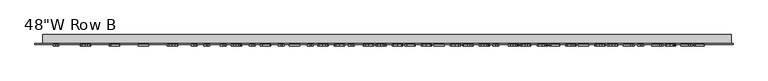
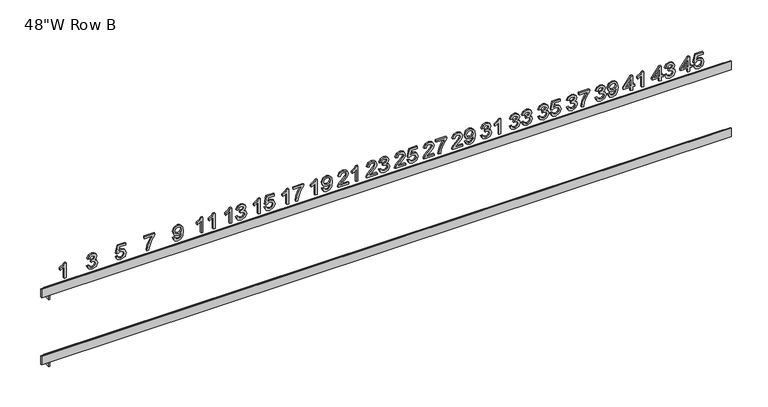
"""IFC4 building model written with IfcOpenShell, lengths in millimetres: furniture geometry."""

from ifc_helpers import new_model, si_unit, frame, origin, place, context, project, spatial, polyline, outline, extrude, faceted_brep, source, transform, mapped, element, save


def furniture_2dfe8abe(model_context):
    return source(origin(), model_context, "Body", "SolidModel", [
        extrude(outline(polyline([(2094.8904, 502.8912606), (2094.8904, 506.0807484), (2100.8706897, 506.0807484), (2100.8706897, 509.2702363), (2104.0601776, 509.2702363), (2104.0601776, 506.0807484), (2120.0076168, 506.0807484), (2120.0076168, 503.6886326), (2104.0601776, 491.3293671), (2100.8706897, 491.3293671), (2100.8706897, 502.8912606), (2094.8904, 502.8912606)]), holes=[polyline([(2104.0601776, 502.8912606), (2104.0601776, 495.2539323), (2113.9151967, 502.8912606), (2104.0601776, 502.8912606)])]), frame((0.0, -18.25625, 0.0), z_axis=(0.0, 1.0, 0.0), x_axis=(0.0, 0.0, 1.0)), (0.0, 0.0, 1.0), 2.38125),
        extrude(outline(polyline([(2101.6680617, 512.0610382), (2096.4571113, 514.5497108), (2094.491714, 520.1780355), (2097.550383, 526.80619), (2103.4683781, 528.8058494), (2109.3489963, 526.5850438), (2111.6352112, 521.1311442), (2109.7912885, 516.4652723), (2116.8181289, 517.8295259), (2116.8181289, 527.6097914), (2120.0076168, 527.6097914), (2120.0076168, 515.250526), (2106.8509794, 512.4597241), (2106.4522934, 515.649212), (2107.8913007, 517.4401842), (2108.4457234, 520.2403302), (2107.0565519, 524.2801405), (2103.2690351, 525.6163615), (2099.2105364, 524.1898132), (2097.6812019, 520.1904945), (2098.780703, 516.8577289), (2102.0667477, 515.250526), (2101.6680617, 512.0610382)])), frame((0.0, -18.25625, 0.0), z_axis=(0.0, 1.0, 0.0), x_axis=(0.0, 0.0, 1.0)), (0.0, 0.0, 1.0), 2.38125),
        extrude(outline(polyline([(2094.8904, 456.8537606), (2094.8904, 460.0432484), (2100.8706897, 460.0432484), (2100.8706897, 463.2327363), (2104.0601776, 463.2327363), (2104.0601776, 460.0432484), (2120.0076168, 460.0432484), (2120.0076168, 457.6511326), (2104.0601776, 445.2918671), (2100.8706897, 445.2918671), (2100.8706897, 456.8537606), (2094.8904, 456.8537606)]), holes=[polyline([(2104.0601776, 456.8537606), (2104.0601776, 449.2164323), (2113.9151967, 456.8537606), (2104.0601776, 456.8537606)])]), frame((0.0, -18.25625, 0.0), z_axis=(0.0, 1.0, 0.0), x_axis=(0.0, 0.0, 1.0)), (0.0, 0.0, 1.0), 2.38125),
        extrude(outline(polyline([(2101.6680617, 466.0235382), (2096.4913734, 468.5589318), (2094.491714, 474.1529945), (2096.8339942, 480.3263977), (2102.5401873, 482.7683494), (2106.6890132, 481.5473735), (2108.8693272, 478.0713301), (2110.981117, 480.6877069), (2113.9214261, 481.5722914), (2117.1389466, 480.6409859), (2119.5310625, 477.9498555), (2120.4063028, 474.1031587), (2118.6309043, 469.0323714), (2113.6286411, 466.4222241), (2113.2299551, 469.611712), (2116.2201, 471.1753086), (2117.2168149, 474.2152892), (2116.2294442, 477.217893), (2113.7345421, 478.3828036), (2110.9188223, 476.7756007), (2110.0404673, 472.6454631), (2106.8509794, 472.2903834), (2107.1998297, 474.5267626), (2105.894756, 478.1523132), (2102.5962525, 479.5788615), (2099.0952912, 478.1398543), (2097.6812019, 474.2651249), (2098.7090642, 470.9728508), (2102.0667477, 469.213026), (2101.6680617, 466.0235382)])), frame((0.0, -18.25625, 0.0), z_axis=(0.0, 1.0, 0.0), x_axis=(0.0, 0.0, 1.0)), (0.0, 0.0, 1.0), 2.38125),
        extrude(outline(polyline([(2094.8904, 410.8162606), (2094.8904, 414.0057484), (2100.8706897, 414.0057484), (2100.8706897, 417.1952363), (2104.0601776, 417.1952363), (2104.0601776, 414.0057484), (2120.0076168, 414.0057484), (2120.0076168, 411.6136326), (2104.0601776, 399.2543671), (2100.8706897, 399.2543671), (2100.8706897, 410.8162606), (2094.8904, 410.8162606)]), holes=[polyline([(2104.0601776, 410.8162606), (2104.0601776, 403.1789323), (2113.9151967, 410.8162606), (2104.0601776, 410.8162606)])]), frame((0.0, -18.25625, 0.0), z_axis=(0.0, 1.0, 0.0), x_axis=(0.0, 0.0, 1.0)), (0.0, 0.0, 1.0), 2.38125),
        extrude(outline(polyline([(2094.8904, 431.9466176), (2120.4063028, 431.9466176), (2120.4063028, 429.890893), (2117.0112425, 427.0533701), (2114.0273271, 422.378154), (2111.0122644, 422.378154), (2112.6225819, 425.7358375), (2114.7748633, 428.7571297), (2094.8904, 428.7571297), (2094.8904, 431.9466176)])), frame((0.0, -18.25625, 0.0), z_axis=(0.0, 1.0, 0.0), x_axis=(0.0, 0.0, 1.0)), (0.0, 0.0, 1.0), 2.38125),
        extrude(outline(polyline([(2101.6680617, 354.4129251), (2096.4913734, 356.9483187), (2094.491714, 362.5423814), (2096.8339942, 368.7157847), (2102.5401873, 371.1577363), (2106.6890132, 369.9367605), (2108.8693272, 366.4607171), (2110.981117, 369.0770938), (2113.9214261, 369.9616783), (2117.1389466, 369.0303728), (2119.5310625, 366.3392424), (2120.4063028, 362.4925457), (2118.6309043, 357.4217584), (2113.6286411, 354.8116111), (2113.2299551, 358.0010989), (2116.2201, 359.5646955), (2117.2168149, 362.6046761), (2116.2294442, 365.6072799), (2113.7345421, 366.7721905), (2110.9188223, 365.1649876), (2110.0404673, 361.0348501), (2106.8509794, 360.6797704), (2107.1998297, 362.9161495), (2105.894756, 366.5417002), (2102.5962525, 367.9682484), (2099.0952912, 366.5292412), (2097.6812019, 362.6545119), (2098.7090642, 359.3622378), (2102.0667477, 357.6024129), (2101.6680617, 354.4129251)])), frame((0.0, -18.25625, 0.0), z_axis=(0.0, 1.0, 0.0), x_axis=(0.0, 0.0, 1.0)), (0.0, 0.0, 1.0), 2.38125),
        extrude(outline(polyline([(2101.2693757, 374.3472241), (2096.2702273, 376.6334391), (2094.491714, 381.5360307), (2095.9992454, 386.4604255), (2100.3879059, 389.6281102), (2108.1342499, 390.6933494), (2115.2732208, 389.6249955), (2119.0731965, 386.4978023), (2120.4063028, 381.9534051), (2118.0702521, 376.2316383), (2111.9030783, 373.9485382), (2105.9290181, 376.1257374), (2103.6614916, 381.4550476), (2104.5896824, 384.9528942), (2106.3837693, 387.5225499), (2102.683465, 387.0615692), (2099.9113516, 386.0181333), (2098.288575, 384.2676526), (2097.6812019, 381.685538), (2098.6249663, 378.9694897), (2101.6680617, 377.536712), (2101.2693757, 374.3472241)]), holes=[polyline([(2111.977832, 387.5038615), (2108.2121183, 386.0617396), (2106.8509794, 382.3832384), (2108.2121183, 378.5521153), (2111.7473416, 377.138026), (2115.6937099, 378.6330984), (2117.2168149, 382.470451), (2115.8027256, 386.127149), (2111.977832, 387.5038615)])]), frame((0.0, -18.25625, 0.0), z_axis=(0.0, 1.0, 0.0), x_axis=(0.0, 0.0, 1.0)), (0.0, 0.0, 1.0), 2.38125),
        extrude(outline(polyline([(2101.6680617, 308.3754251), (2096.4913734, 310.9108187), (2094.491714, 316.5048814), (2096.8339942, 322.6782847), (2102.5401873, 325.1202363), (2106.6890132, 323.8992605), (2108.8693272, 320.4232171), (2110.981117, 323.0395938), (2113.9214261, 323.9241783), (2117.1389466, 322.9928728), (2119.5310625, 320.3017424), (2120.4063028, 316.4550457), (2118.6309043, 311.3842584), (2113.6286411, 308.7741111), (2113.2299551, 311.9635989), (2116.2201, 313.5271955), (2117.2168149, 316.5671761), (2116.2294442, 319.5697799), (2113.7345421, 320.7346905), (2110.9188223, 319.1274876), (2110.0404673, 314.9973501), (2106.8509794, 314.6422704), (2107.1998297, 316.8786495), (2105.894756, 320.5042002), (2102.5962525, 321.9307484), (2099.0952912, 320.4917412), (2097.6812019, 316.6170119), (2098.7090642, 313.3247378), (2102.0667477, 311.5649129), (2101.6680617, 308.3754251)])), frame((0.0, -18.25625, 0.0), z_axis=(0.0, 1.0, 0.0), x_axis=(0.0, 0.0, 1.0)), (0.0, 0.0, 1.0), 2.38125),
        extrude(outline(polyline([(2116.8181289, 327.9110382), (2116.8181289, 341.4663615), (2110.2180071, 336.6447529), (2102.0854361, 333.1655948), (2094.8904, 331.897898), (2094.8904, 335.0873858), (2101.8237984, 336.2709848), (2110.5668574, 339.9058797), (2117.4286169, 344.6558494), (2120.0076168, 344.6558494), (2120.0076168, 327.9110382), (2116.8181289, 327.9110382)])), frame((0.0, -18.25625, 0.0), z_axis=(0.0, 1.0, 0.0), x_axis=(0.0, 0.0, 1.0)), (0.0, 0.0, 1.0), 2.38125),
        extrude(outline(polyline([(2101.6680617, 262.3379251), (2096.4913734, 264.8733187), (2094.491714, 270.4673814), (2096.8339942, 276.6407847), (2102.5401873, 279.0827363), (2106.6890132, 277.8617605), (2108.8693272, 274.3857171), (2110.981117, 277.0020938), (2113.9214261, 277.8866783), (2117.1389466, 276.9553728), (2119.5310625, 274.2642424), (2120.4063028, 270.4175457), (2118.6309043, 265.3467584), (2113.6286411, 262.7366111), (2113.2299551, 265.9260989), (2116.2201, 267.4896955), (2117.2168149, 270.5296761), (2116.2294442, 273.5322799), (2113.7345421, 274.6971905), (2110.9188223, 273.0899876), (2110.0404673, 268.9598501), (2106.8509794, 268.6047704), (2107.1998297, 270.8411495), (2105.894756, 274.4667002), (2102.5962525, 275.8932484), (2099.0952912, 274.4542412), (2097.6812019, 270.5795119), (2098.7090642, 267.2872378), (2102.0667477, 265.5274129), (2101.6680617, 262.3379251)])), frame((0.0, -18.25625, 0.0), z_axis=(0.0, 1.0, 0.0), x_axis=(0.0, 0.0, 1.0)), (0.0, 0.0, 1.0), 2.38125),
        extrude(outline(polyline([(2101.6680617, 281.8735382), (2096.4571113, 284.3622108), (2094.491714, 289.9905355), (2097.550383, 296.61869), (2103.4683781, 298.6183494), (2109.3489963, 296.3975438), (2111.6352112, 290.9436442), (2109.7912885, 286.2777723), (2116.8181289, 287.6420259), (2116.8181289, 297.4222914), (2120.0076168, 297.4222914), (2120.0076168, 285.063026), (2106.8509794, 282.2722241), (2106.4522934, 285.461712), (2107.8913007, 287.2526842), (2108.4457234, 290.0528302), (2107.0565519, 294.0926405), (2103.2690351, 295.4288615), (2099.2105364, 294.0023132), (2097.6812019, 290.0029945), (2098.780703, 286.6702289), (2102.0667477, 285.063026), (2101.6680617, 281.8735382)])), frame((0.0, -18.25625, 0.0), z_axis=(0.0, 1.0, 0.0), x_axis=(0.0, 0.0, 1.0)), (0.0, 0.0, 1.0), 2.38125),
        extrude(outline(polyline([(2101.6680617, 216.3004251), (2096.4913734, 218.8358187), (2094.491714, 224.4298814), (2096.8339942, 230.6032847), (2102.5401873, 233.0452363), (2106.6890132, 231.8242605), (2108.8693272, 228.3482171), (2110.981117, 230.9645938), (2113.9214261, 231.8491783), (2117.1389466, 230.9178728), (2119.5310625, 228.2267424), (2120.4063028, 224.3800457), (2118.6309043, 219.3092584), (2113.6286411, 216.6991111), (2113.2299551, 219.8885989), (2116.2201, 221.4521955), (2117.2168149, 224.4921761), (2116.2294442, 227.4947799), (2113.7345421, 228.6596905), (2110.9188223, 227.0524876), (2110.0404673, 222.9223501), (2106.8509794, 222.5672704), (2107.1998297, 224.8036495), (2105.894756, 228.4292002), (2102.5962525, 229.8557484), (2099.0952912, 228.4167412), (2097.6812019, 224.5420119), (2098.7090642, 221.2497378), (2102.0667477, 219.4899129), (2101.6680617, 216.3004251)])), frame((0.0, -18.25625, 0.0), z_axis=(0.0, 1.0, 0.0), x_axis=(0.0, 0.0, 1.0)), (0.0, 0.0, 1.0), 2.38125),
        extrude(outline(polyline([(2101.6680617, 235.8360382), (2096.4913734, 238.3714318), (2094.491714, 243.9654945), (2096.8339942, 250.1388977), (2102.5401873, 252.5808494), (2106.6890132, 251.3598735), (2108.8693272, 247.8838301), (2110.981117, 250.5002069), (2113.9214261, 251.3847914), (2117.1389466, 250.4534859), (2119.5310625, 247.7623555), (2120.4063028, 243.9156587), (2118.6309043, 238.8448714), (2113.6286411, 236.2347241), (2113.2299551, 239.424212), (2116.2201, 240.9878086), (2117.2168149, 244.0277892), (2116.2294442, 247.030393), (2113.7345421, 248.1953036), (2110.9188223, 246.5881007), (2110.0404673, 242.4579631), (2106.8509794, 242.1028834), (2107.1998297, 244.3392626), (2105.894756, 247.9648132), (2102.5962525, 249.3913615), (2099.0952912, 247.9523543), (2097.6812019, 244.0776249), (2098.7090642, 240.7853508), (2102.0667477, 239.025526), (2101.6680617, 235.8360382)])), frame((0.0, -18.25625, 0.0), z_axis=(0.0, 1.0, 0.0), x_axis=(0.0, 0.0, 1.0)), (0.0, 0.0, 1.0), 2.38125),
        extrude(outline(polyline([(2101.6680617, 170.2629251), (2096.4913734, 172.7983187), (2094.491714, 178.3923814), (2096.8339942, 184.5657847), (2102.5401873, 187.0077363), (2106.6890132, 185.7867605), (2108.8693272, 182.3107171), (2110.981117, 184.9270938), (2113.9214261, 185.8116783), (2117.1389466, 184.8803728), (2119.5310625, 182.1892424), (2120.4063028, 178.3425457), (2118.6309043, 173.2717584), (2113.6286411, 170.6616111), (2113.2299551, 173.8510989), (2116.2201, 175.4146955), (2117.2168149, 178.4546761), (2116.2294442, 181.4572799), (2113.7345421, 182.6221905), (2110.9188223, 181.0149876), (2110.0404673, 176.8848501), (2106.8509794, 176.5297704), (2107.1998297, 178.7661495), (2105.894756, 182.3917002), (2102.5962525, 183.8182484), (2099.0952912, 182.3792412), (2097.6812019, 178.5045119), (2098.7090642, 175.2122378), (2102.0667477, 173.4524129), (2101.6680617, 170.2629251)])), frame((0.0, -18.25625, 0.0), z_axis=(0.0, 1.0, 0.0), x_axis=(0.0, 0.0, 1.0)), (0.0, 0.0, 1.0), 2.38125),
        extrude(outline(polyline([(2094.8904, 201.7591176), (2120.4063028, 201.7591176), (2120.4063028, 199.703393), (2117.0112425, 196.8658701), (2114.0273271, 192.190654), (2111.0122644, 192.190654), (2112.6225819, 195.5483375), (2114.7748633, 198.5696297), (2094.8904, 198.5696297), (2094.8904, 201.7591176)])), frame((0.0, -18.25625, 0.0), z_axis=(0.0, 1.0, 0.0), x_axis=(0.0, 0.0, 1.0)), (0.0, 0.0, 1.0), 2.38125),
        extrude(outline(polyline([(2098.0798878, 140.5715503), (2098.0798878, 128.0440893), (2099.7026644, 129.4830965), (2102.7706776, 133.1522534), (2107.1406497, 137.7215685), (2110.2678429, 139.6059827), (2113.2922498, 140.1728643), (2118.3630371, 138.0704187), (2120.4063028, 132.3611109), (2118.5686096, 126.6704915), (2113.2299551, 124.2254251), (2112.8312691, 127.4149129), (2116.0519043, 128.7573634), (2117.2168149, 132.2925867), (2116.0238717, 135.6845323), (2113.0991363, 136.9833765), (2109.4860446, 135.606664), (2104.172308, 130.0998138), (2100.4751185, 126.1067246), (2097.0894024, 124.1693599), (2094.8904, 123.8267391), (2094.8904, 140.5715503), (2098.0798878, 140.5715503)])), frame((0.0, -18.25625, 0.0), z_axis=(0.0, 1.0, 0.0), x_axis=(0.0, 0.0, 1.0)), (0.0, 0.0, 1.0), 2.38125),
        extrude(outline(polyline([(2101.2693757, 144.1597241), (2096.2702273, 146.4459391), (2094.491714, 151.3485307), (2095.9992454, 156.2729255), (2100.3879059, 159.4406102), (2108.1342499, 160.5058494), (2115.2732208, 159.4374955), (2119.0731965, 156.3103023), (2120.4063028, 151.7659051), (2118.0702521, 146.0441383), (2111.9030783, 143.7610382), (2105.9290181, 145.9382374), (2103.6614916, 151.2675476), (2104.5896824, 154.7653942), (2106.3837693, 157.3350499), (2102.683465, 156.8740692), (2099.9113516, 155.8306333), (2098.288575, 154.0801526), (2097.6812019, 151.498038), (2098.6249663, 148.7819897), (2101.6680617, 147.349212), (2101.2693757, 144.1597241)]), holes=[polyline([(2111.977832, 157.3163615), (2108.2121183, 155.8742396), (2106.8509794, 152.1957384), (2108.2121183, 148.3646153), (2111.7473416, 146.950526), (2115.6937099, 148.4455984), (2117.2168149, 152.282951), (2115.8027256, 155.939649), (2111.977832, 157.3163615)])]), frame((0.0, -18.25625, 0.0), z_axis=(0.0, 1.0, 0.0), x_axis=(0.0, 0.0, 1.0)), (0.0, 0.0, 1.0), 2.38125),
        extrude(outline(polyline([(2098.0798878, 94.5340503), (2098.0798878, 82.0065893), (2099.7026644, 83.4455965), (2102.7706776, 87.1147534), (2107.1406497, 91.6840685), (2110.2678429, 93.5684827), (2113.2922498, 94.1353643), (2118.3630371, 92.0329187), (2120.4063028, 86.3236109), (2118.5686096, 80.6329915), (2113.2299551, 78.1879251), (2112.8312691, 81.3774129), (2116.0519043, 82.7198634), (2117.2168149, 86.2550867), (2116.0238717, 89.6470323), (2113.0991363, 90.9458765), (2109.4860446, 89.569164), (2104.172308, 84.0623138), (2100.4751185, 80.0692246), (2097.0894024, 78.1318599), (2094.8904, 77.7892391), (2094.8904, 94.5340503), (2098.0798878, 94.5340503)])), frame((0.0, -18.25625, 0.0), z_axis=(0.0, 1.0, 0.0), x_axis=(0.0, 0.0, 1.0)), (0.0, 0.0, 1.0), 2.38125),
        extrude(outline(polyline([(2116.8181289, 97.7235382), (2116.8181289, 111.2788615), (2110.2180071, 106.4572529), (2102.0854361, 102.9780948), (2094.8904, 101.710398), (2094.8904, 104.8998858), (2101.8237984, 106.0834848), (2110.5668574, 109.7183797), (2117.4286169, 114.4683494), (2120.0076168, 114.4683494), (2120.0076168, 97.7235382), (2116.8181289, 97.7235382)])), frame((0.0, -18.25625, 0.0), z_axis=(0.0, 1.0, 0.0), x_axis=(0.0, 0.0, 1.0)), (0.0, 0.0, 1.0), 2.38125),
        extrude(outline(polyline([(2098.0798878, 48.4965503), (2098.0798878, 35.9690893), (2099.7026644, 37.4080965), (2102.7706776, 41.0772534), (2107.1406497, 45.6465685), (2110.2678429, 47.5309827), (2113.2922498, 48.0978643), (2118.3630371, 45.9954187), (2120.4063028, 40.2861109), (2118.5686096, 34.5954915), (2113.2299551, 32.1504251), (2112.8312691, 35.3399129), (2116.0519043, 36.6823634), (2117.2168149, 40.2175867), (2116.0238717, 43.6095323), (2113.0991363, 44.9083765), (2109.4860446, 43.531664), (2104.172308, 38.0248138), (2100.4751185, 34.0317246), (2097.0894024, 32.0943599), (2094.8904, 31.7517391), (2094.8904, 48.4965503), (2098.0798878, 48.4965503)])), frame((0.0, -18.25625, 0.0), z_axis=(0.0, 1.0, 0.0), x_axis=(0.0, 0.0, 1.0)), (0.0, 0.0, 1.0), 2.38125),
        extrude(outline(polyline([(2101.6680617, 51.6860382), (2096.4571113, 54.1747108), (2094.491714, 59.8030355), (2097.550383, 66.43119), (2103.4683781, 68.4308494), (2109.3489963, 66.2100438), (2111.6352112, 60.7561442), (2109.7912885, 56.0902723), (2116.8181289, 57.4545259), (2116.8181289, 67.2347914), (2120.0076168, 67.2347914), (2120.0076168, 54.875526), (2106.8509794, 52.0847241), (2106.4522934, 55.274212), (2107.8913007, 57.0651842), (2108.4457234, 59.8653302), (2107.0565519, 63.9051405), (2103.2690351, 65.2413615), (2099.2105364, 63.8148132), (2097.6812019, 59.8154945), (2098.780703, 56.4827289), (2102.0667477, 54.875526), (2101.6680617, 51.6860382)])), frame((0.0, -18.25625, 0.0), z_axis=(0.0, 1.0, 0.0), x_axis=(0.0, 0.0, 1.0)), (0.0, 0.0, 1.0), 2.38125),
        extrude(outline(polyline([(2098.0798878, 2.4590503), (2098.0798878, -10.0684107), (2099.7026644, -8.6294035), (2102.7706776, -4.9602466), (2107.1406497, -0.3909315), (2110.2678429, 1.4934827), (2113.2922498, 2.0603643), (2118.3630371, -0.0420813), (2120.4063028, -5.7513891), (2118.5686096, -11.4420085), (2113.2299551, -13.8870749), (2112.8312691, -10.6975871), (2116.0519043, -9.3551366), (2117.2168149, -5.8199133), (2116.0238717, -2.4279677), (2113.0991363, -1.1291235), (2109.4860446, -2.505836), (2104.172308, -8.0126862), (2100.4751185, -12.0057754), (2097.0894024, -13.9431401), (2094.8904, -14.2857609), (2094.8904, 2.4590503), (2098.0798878, 2.4590503)])), frame((0.0, -18.25625, 0.0), z_axis=(0.0, 1.0, 0.0), x_axis=(0.0, 0.0, 1.0)), (0.0, 0.0, 1.0), 2.38125),
        extrude(outline(polyline([(2101.6680617, 5.6485382), (2096.4913734, 8.1839318), (2094.491714, 13.7779945), (2096.8339942, 19.9513977), (2102.5401873, 22.3933494), (2106.6890132, 21.1723735), (2108.8693272, 17.6963301), (2110.981117, 20.3127069), (2113.9214261, 21.1972914), (2117.1389466, 20.2659859), (2119.5310625, 17.5748555), (2120.4063028, 13.7281587), (2118.6309043, 8.6573714), (2113.6286411, 6.0472241), (2113.2299551, 9.236712), (2116.2201, 10.8003086), (2117.2168149, 13.8402892), (2116.2294442, 16.842893), (2113.7345421, 18.0078036), (2110.9188223, 16.4006007), (2110.0404673, 12.2704631), (2106.8509794, 11.9153834), (2107.1998297, 14.1517626), (2105.894756, 17.7773132), (2102.5962525, 19.2038615), (2099.0952912, 17.7648543), (2097.6812019, 13.8901249), (2098.7090642, 10.5978508), (2102.0667477, 8.838026), (2101.6680617, 5.6485382)])), frame((0.0, -18.25625, 0.0), z_axis=(0.0, 1.0, 0.0), x_axis=(0.0, 0.0, 1.0)), (0.0, 0.0, 1.0), 2.38125),
        extrude(outline(polyline([(2098.0798878, -43.5784497), (2098.0798878, -56.1059107), (2099.7026644, -54.6669035), (2102.7706776, -50.9977466), (2107.1406497, -46.4284315), (2110.2678429, -44.5440173), (2113.2922498, -43.9771357), (2118.3630371, -46.0795813), (2120.4063028, -51.7888891), (2118.5686096, -57.4795085), (2113.2299551, -59.9245749), (2112.8312691, -56.7350871), (2116.0519043, -55.3926366), (2117.2168149, -51.8574133), (2116.0238717, -48.4654677), (2113.0991363, -47.1666235), (2109.4860446, -48.543336), (2104.172308, -54.0501862), (2100.4751185, -58.0432754), (2097.0894024, -59.9806401), (2094.8904, -60.3232609), (2094.8904, -43.5784497), (2098.0798878, -43.5784497)])), frame((0.0, -18.25625, 0.0), z_axis=(0.0, 1.0, 0.0), x_axis=(0.0, 0.0, 1.0)), (0.0, 0.0, 1.0), 2.38125),
        extrude(outline(polyline([(2094.8904, -28.4283824), (2120.4063028, -28.4283824), (2120.4063028, -30.484107), (2117.0112425, -33.3216299), (2114.0273271, -37.996846), (2111.0122644, -37.996846), (2112.6225819, -34.6391625), (2114.7748633, -31.6178703), (2094.8904, -31.6178703), (2094.8904, -28.4283824)])), frame((0.0, -18.25625, 0.0), z_axis=(0.0, 1.0, 0.0), x_axis=(0.0, 0.0, 1.0)), (0.0, 0.0, 1.0), 2.38125),
        extrude(outline(polyline([(2094.8904, -94.0014955), (2120.4063028, -94.0014955), (2120.4063028, -96.0572201), (2117.0112425, -98.894743), (2114.0273271, -103.569959), (2111.0122644, -103.569959), (2112.6225819, -100.2122755), (2114.7748633, -97.1909833), (2094.8904, -97.1909833), (2094.8904, -94.0014955)])), frame((0.0, -18.25625, 0.0), z_axis=(0.0, 1.0, 0.0), x_axis=(0.0, 0.0, 1.0)), (0.0, 0.0, 1.0), 2.38125),
        extrude(outline(polyline([(2101.2693757, -86.0277759), (2096.2702273, -83.7415609), (2094.491714, -78.8389693), (2095.9992454, -73.9145745), (2100.3879059, -70.7468898), (2108.1342499, -69.6816506), (2115.2732208, -70.7500045), (2119.0731965, -73.8771977), (2120.4063028, -78.4215949), (2118.0702521, -84.1433617), (2111.9030783, -86.4264618), (2105.9290181, -84.2492626), (2103.6614916, -78.9199524), (2104.5896824, -75.4221058), (2106.3837693, -72.8524501), (2102.683465, -73.3134308), (2099.9113516, -74.3568667), (2098.288575, -76.1073474), (2097.6812019, -78.689462), (2098.6249663, -81.4055103), (2101.6680617, -82.838288), (2101.2693757, -86.0277759)]), holes=[polyline([(2111.977832, -72.8711385), (2108.2121183, -74.3132604), (2106.8509794, -77.9917616), (2108.2121183, -81.8228847), (2111.7473416, -83.236974), (2115.6937099, -81.7419016), (2117.2168149, -77.904549), (2115.8027256, -74.247851), (2111.977832, -72.8711385)])]), frame((0.0, -18.25625, 0.0), z_axis=(0.0, 1.0, 0.0), x_axis=(0.0, 0.0, 1.0)), (0.0, 0.0, 1.0), 2.38125),
        extrude(outline(polyline([(2094.8904, -140.0389955), (2120.4063028, -140.0389955), (2120.4063028, -142.0947201), (2117.0112425, -144.932243), (2114.0273271, -149.607459), (2111.0122644, -149.607459), (2112.6225819, -146.2497755), (2114.7748633, -143.2284833), (2094.8904, -143.2284833), (2094.8904, -140.0389955)])), frame((0.0, -18.25625, 0.0), z_axis=(0.0, 1.0, 0.0), x_axis=(0.0, 0.0, 1.0)), (0.0, 0.0, 1.0), 2.38125),
        extrude(outline(polyline([(2116.8181289, -132.4639618), (2116.8181289, -118.9086385), (2110.2180071, -123.7302471), (2102.0854361, -127.2094052), (2094.8904, -128.477102), (2094.8904, -125.2876142), (2101.8237984, -124.1040152), (2110.5668574, -120.4691203), (2117.4286169, -115.7191506), (2120.0076168, -115.7191506), (2120.0076168, -132.4639618), (2116.8181289, -132.4639618)])), frame((0.0, -18.25625, 0.0), z_axis=(0.0, 1.0, 0.0), x_axis=(0.0, 0.0, 1.0)), (0.0, 0.0, 1.0), 2.38125),
        extrude(outline(polyline([(2094.8904, -186.0764955), (2120.4063028, -186.0764955), (2120.4063028, -188.1322201), (2117.0112425, -190.969743), (2114.0273271, -195.644959), (2111.0122644, -195.644959), (2112.6225819, -192.2872755), (2114.7748633, -189.2659833), (2094.8904, -189.2659833), (2094.8904, -186.0764955)])), frame((0.0, -18.25625, 0.0), z_axis=(0.0, 1.0, 0.0), x_axis=(0.0, 0.0, 1.0)), (0.0, 0.0, 1.0), 2.38125),
        extrude(outline(polyline([(2101.6680617, -178.5014618), (2096.4571113, -176.0127892), (2094.491714, -170.3844645), (2097.550383, -163.75631), (2103.4683781, -161.7566506), (2109.3489963, -163.9774562), (2111.6352112, -169.4313558), (2109.7912885, -174.0972277), (2116.8181289, -172.7329741), (2116.8181289, -162.9527086), (2120.0076168, -162.9527086), (2120.0076168, -175.311974), (2106.8509794, -178.1027759), (2106.4522934, -174.913288), (2107.8913007, -173.1223158), (2108.4457234, -170.3221698), (2107.0565519, -166.2823595), (2103.2690351, -164.9461385), (2099.2105364, -166.3726868), (2097.6812019, -170.3720055), (2098.780703, -173.7047711), (2102.0667477, -175.311974), (2101.6680617, -178.5014618)])), frame((0.0, -18.25625, 0.0), z_axis=(0.0, 1.0, 0.0), x_axis=(0.0, 0.0, 1.0)), (0.0, 0.0, 1.0), 2.38125),
        extrude(outline(polyline([(2094.8904, -232.1139955), (2120.4063028, -232.1139955), (2120.4063028, -234.1697201), (2117.0112425, -237.007243), (2114.0273271, -241.682459), (2111.0122644, -241.682459), (2112.6225819, -238.3247755), (2114.7748633, -235.3034833), (2094.8904, -235.3034833), (2094.8904, -232.1139955)])), frame((0.0, -18.25625, 0.0), z_axis=(0.0, 1.0, 0.0), x_axis=(0.0, 0.0, 1.0)), (0.0, 0.0, 1.0), 2.38125),
        extrude(outline(polyline([(2101.6680617, -224.5389618), (2096.4913734, -222.0035682), (2094.491714, -216.4095055), (2096.8339942, -210.2361023), (2102.5401873, -207.7941506), (2106.6890132, -209.0151265), (2108.8693272, -212.4911699), (2110.981117, -209.8747931), (2113.9214261, -208.9902086), (2117.1389466, -209.9215141), (2119.5310625, -212.6126445), (2120.4063028, -216.4593413), (2118.6309043, -221.5301286), (2113.6286411, -224.1402759), (2113.2299551, -220.950788), (2116.2201, -219.3871914), (2117.2168149, -216.3472108), (2116.2294442, -213.344607), (2113.7345421, -212.1796964), (2110.9188223, -213.7868993), (2110.0404673, -217.9170369), (2106.8509794, -218.2721166), (2107.1998297, -216.0357374), (2105.894756, -212.4101868), (2102.5962525, -210.9836385), (2099.0952912, -212.4226457), (2097.6812019, -216.2973751), (2098.7090642, -219.5896492), (2102.0667477, -221.349474), (2101.6680617, -224.5389618)])), frame((0.0, -18.25625, 0.0), z_axis=(0.0, 1.0, 0.0), x_axis=(0.0, 0.0, 1.0)), (0.0, 0.0, 1.0), 2.38125),
        extrude(outline(polyline([(2094.8904, -278.1514955), (2120.4063028, -278.1514955), (2120.4063028, -280.2072201), (2117.0112425, -283.044743), (2114.0273271, -287.719959), (2111.0122644, -287.719959), (2112.6225819, -284.3622755), (2114.7748633, -281.3409833), (2094.8904, -281.3409833), (2094.8904, -278.1514955)])), frame((0.0, -18.25625, 0.0), z_axis=(0.0, 1.0, 0.0), x_axis=(0.0, 0.0, 1.0)), (0.0, 0.0, 1.0), 2.38125),
        extrude(outline(polyline([(2094.8904, -258.6158824), (2120.4063028, -258.6158824), (2120.4063028, -260.671607), (2117.0112425, -263.5091299), (2114.0273271, -268.184346), (2111.0122644, -268.184346), (2112.6225819, -264.8266625), (2114.7748633, -261.8053703), (2094.8904, -261.8053703), (2094.8904, -258.6158824)])), frame((0.0, -18.25625, 0.0), z_axis=(0.0, 1.0, 0.0), x_axis=(0.0, 0.0, 1.0)), (0.0, 0.0, 1.0), 2.38125),
        extrude(outline(polyline([(2101.2693757, -325.9830824), (2096.2702273, -323.6968675), (2094.491714, -318.7942758), (2095.9992454, -313.869881), (2100.3879059, -310.7021963), (2108.1342499, -309.6369572), (2115.2732208, -310.705311), (2119.0731965, -313.8325042), (2120.4063028, -318.3769014), (2118.0702521, -324.0986682), (2111.9030783, -326.3817684), (2105.9290181, -324.2045692), (2103.6614916, -318.8752589), (2104.5896824, -315.3774124), (2106.3837693, -312.8077566), (2102.683465, -313.2687373), (2099.9113516, -314.3121733), (2098.288575, -316.0626539), (2097.6812019, -318.6447686), (2098.6249663, -321.3608168), (2101.6680617, -322.7935946), (2101.2693757, -325.9830824)]), holes=[polyline([(2111.977832, -312.826445), (2108.2121183, -314.268567), (2106.8509794, -317.9470681), (2108.2121183, -321.7781912), (2111.7473416, -323.1922805), (2115.6937099, -321.6972081), (2117.2168149, -317.8598555), (2115.8027256, -314.2031576), (2111.977832, -312.826445)])]), frame((0.0, -18.25625, 0.0), z_axis=(0.0, 1.0, 0.0), x_axis=(0.0, 0.0, 1.0)), (0.0, 0.0, 1.0), 2.38125),
        extrude(outline(polyline([(2116.8181289, -372.4192684), (2116.8181289, -358.863945), (2110.2180071, -363.6855536), (2102.0854361, -367.1647117), (2094.8904, -368.4324086), (2094.8904, -365.2429207), (2101.8237984, -364.0593217), (2110.5668574, -360.4244269), (2117.4286169, -355.6744572), (2120.0076168, -355.6744572), (2120.0076168, -372.4192684), (2116.8181289, -372.4192684)])), frame((0.0, -18.25625, 0.0), z_axis=(0.0, 1.0, 0.0), x_axis=(0.0, 0.0, 1.0)), (0.0, 0.0, 1.0), 2.38125),
        extrude(outline(polyline([(2101.6680617, -418.4567684), (2096.4571113, -415.9680957), (2094.491714, -410.339771), (2097.550383, -403.7116166), (2103.4683781, -401.7119572), (2109.3489963, -403.9327627), (2111.6352112, -409.3866623), (2109.7912885, -414.0525342), (2116.8181289, -412.6882806), (2116.8181289, -402.9080151), (2120.0076168, -402.9080151), (2120.0076168, -415.2672805), (2106.8509794, -418.0580824), (2106.4522934, -414.8685946), (2107.8913007, -413.0776224), (2108.4457234, -410.2774763), (2107.0565519, -406.237666), (2103.2690351, -404.901445), (2099.2105364, -406.3279933), (2097.6812019, -410.327312), (2098.780703, -413.6600777), (2102.0667477, -415.2672805), (2101.6680617, -418.4567684)])), frame((0.0, -18.25625, 0.0), z_axis=(0.0, 1.0, 0.0), x_axis=(0.0, 0.0, 1.0)), (0.0, 0.0, 1.0), 2.38125),
        extrude(outline(polyline([(2101.6680617, -464.4942684), (2096.4913734, -461.9588747), (2094.491714, -456.364812), (2096.8339942, -450.1914088), (2102.5401873, -447.7494572), (2106.6890132, -448.970433), (2108.8693272, -452.4464764), (2110.981117, -449.8300996), (2113.9214261, -448.9455151), (2117.1389466, -449.8768207), (2119.5310625, -452.567951), (2120.4063028, -456.4146478), (2118.6309043, -461.4854351), (2113.6286411, -464.0955824), (2113.2299551, -460.9060946), (2116.2201, -459.342498), (2117.2168149, -456.3025174), (2116.2294442, -453.2999136), (2113.7345421, -452.135003), (2110.9188223, -453.7422058), (2110.0404673, -457.8723434), (2106.8509794, -458.2274231), (2107.1998297, -455.9910439), (2105.894756, -452.3654933), (2102.5962525, -450.938945), (2099.0952912, -452.3779522), (2097.6812019, -456.2526816), (2098.7090642, -459.5449557), (2102.0667477, -461.3047805), (2101.6680617, -464.4942684)])), frame((0.0, -18.25625, 0.0), z_axis=(0.0, 1.0, 0.0), x_axis=(0.0, 0.0, 1.0)), (0.0, 0.0, 1.0), 2.38125),
        extrude(outline(polyline([(2094.8904, -498.6463981), (2119.8996308, -498.6463981), (2119.8996308, -500.6613019), (2116.5719865, -503.4424798), (2113.6473231, -508.0248596), (2110.6921308, -508.0248596), (2112.2704721, -504.73385), (2114.3800154, -501.7725519), (2094.8904, -501.7725519), (2094.8904, -498.6463981)])), frame((0.0, -18.25625, 0.0), z_axis=(0.0, 1.0, 0.0), x_axis=(0.0, 0.0, 1.0)), (0.0, 0.0, 1.0), 2.38125),
        faceted_brep([(-524.1873583, -13.9699322, 1948.7951562), (-522.2823681, -13.9699322, 1948.7951562), (-522.2823681, -13.9699322, 1958.0866403), (-524.1873583, -13.9699322, 1958.0866403), (-524.1873583, 0.0, 1948.7951562), (-524.1873583, 0.0, 1961.4957194), (571.1822789, 0.0, 1961.4957194), (571.1822789, 0.0, 1958.0866403), (-522.2823681, 0.0, 1958.0866403), (-522.2823681, 0.0, 1948.7951562), (571.1822789, -13.9699322, 1958.0866403), (574.3627049, -13.9699322, 1958.0866403), (574.3627049, -15.875, 1958.0866403), (-536.8872951, -15.875, 1958.0866403), (-536.8872951, -13.9699322, 1958.0866403), (571.1822789, -13.9699322, 1961.4957194), (-524.1873583, -13.9699322, 1961.4957194), (-536.8872951, -15.875, 1972.3105632), (-536.8872951, -13.9699322, 1972.3105632), (574.3627049, -15.875, 1972.3105632), (574.3627049, -13.9699322, 1972.3105632)], [[[0, 1, 2, 3]], [[4, 5, 6, 7, 8, 9]], [[1, 0, 4, 9]], [[2, 1, 9, 8]], [[8, 7, 10, 11, 12, 13, 14, 3, 2]], [[7, 6, 15, 10]], [[6, 5, 16, 15]], [[5, 4, 0, 3, 16]], [[17, 18, 14, 13]], [[19, 12, 11, 20]], [[18, 17, 19, 20]], [[14, 18, 20, 11, 10, 15, 16, 3]], [[17, 13, 12, 19]]]),
        faceted_brep([(-524.1873583, -13.9699322, 2063.1151167), (-522.2823681, -13.9699322, 2063.1151167), (-522.2823681, -13.9699322, 2072.3860703), (-524.1873583, -13.9699322, 2072.3860703), (-524.1873583, 0.0, 2063.1151167), (-524.1873583, 0.0, 2075.8150534), (571.1822789, 0.0, 2075.8150534), (571.1822789, 0.0, 2072.3860703), (-522.2823681, 0.0, 2072.3860703), (-522.2823681, 0.0, 2063.1151167), (571.1822789, -13.9699322, 2072.3860703), (574.3627049, -13.9699322, 2072.3860703), (574.3627049, -15.875, 2072.3860703), (-536.8872951, -15.875, 2072.3860703), (-536.8872951, -13.9699322, 2072.3860703), (571.1822789, -13.9699322, 2075.8150534), (-524.1873583, -13.9699322, 2075.8150534), (-536.8872951, -15.875, 2086.61), (-536.8872951, -13.9699322, 2086.61), (574.3627049, -13.9699322, 2086.61), (574.3627049, -15.875, 2086.61)], [[[0, 1, 2, 3]], [[4, 5, 6, 7, 8, 9]], [[1, 0, 4, 9]], [[2, 1, 9, 8]], [[8, 7, 10, 11, 12, 13, 14, 3, 2]], [[7, 6, 15, 10]], [[6, 5, 16, 15]], [[5, 4, 0, 3, 16]], [[14, 13, 17, 18]], [[11, 19, 20, 12]], [[17, 13, 12, 20]], [[18, 17, 20, 19]], [[14, 18, 19, 11, 10, 15, 16, 3]]]),
    ])


if __name__ == "__main__":
    model = new_model("IFC4")
    model_context = context("Model", 3, world=origin())
    ifc_project = project(units=[si_unit("LENGTHUNIT", "METRE", prefix="MILLI")], contexts=[model_context])
    site = spatial("IfcSite", under=ifc_project)
    building = spatial("IfcBuilding", under=site)
    placement = place(None, origin())
    furniture_shape = furniture_2dfe8abe(model_context)
    element("IfcFurniture", 1, ObjectType="48\"W Row B", at=placement, inside=building, context=model_context, shape_type="MappedRepresentation", body=[
        mapped(furniture_shape, transform((0.0, 0.0, 0.0), x_axis=(1.0, 0.0, 0.0), y_axis=(0.0, 1.0, 0.0), z_axis=(0.0, 0.0, 1.0))),
    ])
    save(model, "model.ifc")
